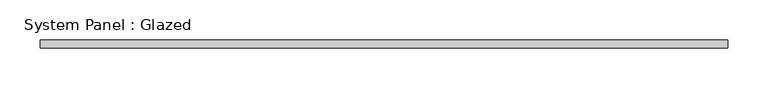
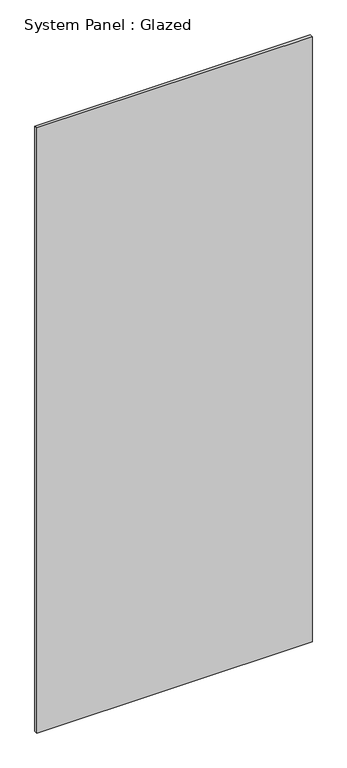
"""IFC4 building model written with IfcOpenShell, lengths in millimetres: plate geometry, System Panel : Glazed."""

from ifc_helpers import new_model, si_unit, origin, origin_with_axes, place, context, project, spatial, polyline, outline, extrude, source, transform, mapped, element, save


def system_panel_glazed_d30f86c5(model_context):
    return source(origin(), model_context, "Body", "SweptSolid", [
        extrude(outline(polyline([(429.2316806, -5.0), (-429.2316806, -5.0), (-429.2316806, 5.0), (429.2316806, 5.0), (429.2316806, -5.0)])), origin_with_axes(), (0.0, 0.0, 1.0), 1995.0),
    ])


if __name__ == "__main__":
    model = new_model("IFC4")
    model_context = context("Model", 3, world=origin())
    ifc_project = project(units=[si_unit("LENGTHUNIT", "METRE", prefix="MILLI")], contexts=[model_context])
    site = spatial("IfcSite", under=ifc_project)
    building = spatial("IfcBuilding", under=site)
    placement = place(None, origin())
    system_panel_glazed_shape = system_panel_glazed_d30f86c5(model_context)
    element("IfcPlate", 1, ObjectType="System Panel : Glazed", at=placement, inside=building, context=model_context, shape_type="MappedRepresentation", body=[
        mapped(system_panel_glazed_shape, transform((0.0, 0.0, 0.0), x_axis=(1.0, 0.0, 0.0), y_axis=(0.0, 1.0, 0.0), z_axis=(0.0, 0.0, 1.0))),
    ])
    save(model, "model.ifc")
